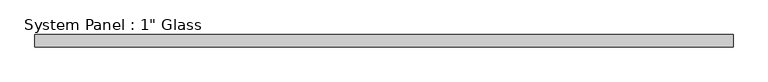
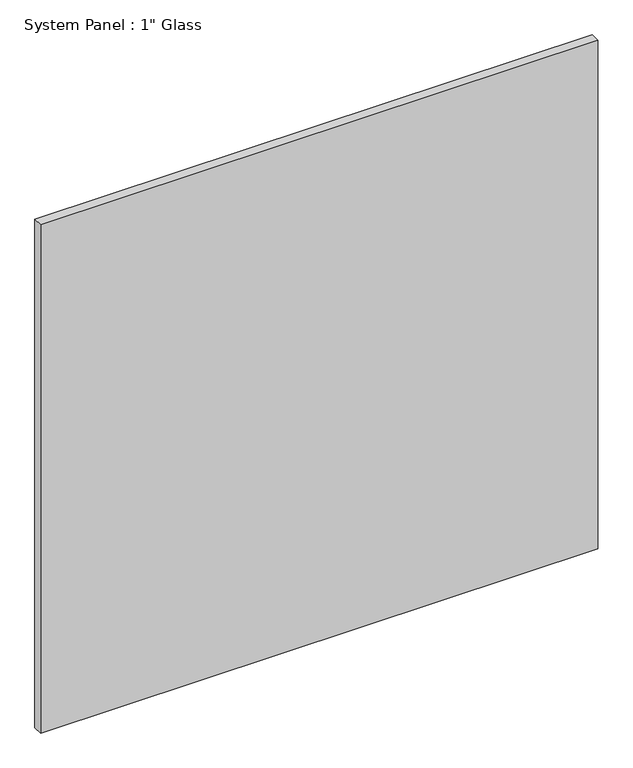
"""IFC4 building model written with IfcOpenShell, lengths in millimetres: plate geometry."""

from ifc_helpers import new_model, si_unit, origin, origin_with_axes, place, context, project, spatial, polyline, outline, extrude, source, transform, mapped, element, save


def plate_709f6a18(model_context):
    return source(origin(), model_context, "Body", "SweptSolid", [
        extrude(outline(polyline([(729.6720691, -12.7), (-729.6720691, -12.7), (-729.6720691, 12.7), (729.6720691, 12.7), (729.6720691, -12.7)])), origin_with_axes(), (0.0, 0.0, 1.0), 1407.0511731),
    ])


if __name__ == "__main__":
    model = new_model("IFC4")
    model_context = context("Model", 3, world=origin())
    ifc_project = project(units=[si_unit("LENGTHUNIT", "METRE", prefix="MILLI")], contexts=[model_context])
    site = spatial("IfcSite", under=ifc_project)
    building = spatial("IfcBuilding", under=site)
    placement = place(None, origin())
    plate_shape = plate_709f6a18(model_context)
    element("IfcPlate", 1, ObjectType="System Panel : 1\" Glass", at=placement, inside=building, context=model_context, shape_type="MappedRepresentation", body=[
        mapped(plate_shape, transform((0.0, 0.0, 0.0), x_axis=(1.0, 0.0, 0.0), y_axis=(0.0, 1.0, 0.0), z_axis=(0.0, 0.0, 1.0))),
    ])
    save(model, "model.ifc")
